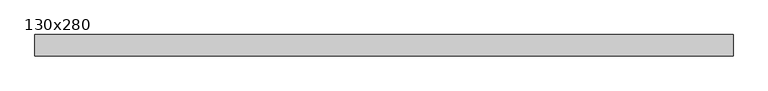
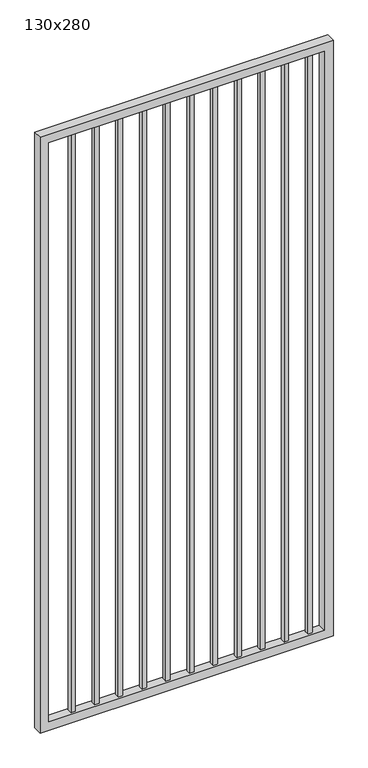
"""IFC4 building model written with IfcOpenShell, lengths in millimetres: proxy geometry, 130x280."""

from ifc_helpers import new_model, si_unit, frame, origin, place, context, project, spatial, polyline, outline, extrude, source, transform, mapped, element, save


def proxy_130x280_9e17eb8e(model_context):
    return source(origin(), model_context, "Body", "SweptSolid", [
        extrude(outline(polyline([(1203.325, 9.525), (1203.325, -9.525), (1184.275, -9.525), (1184.275, 9.525), (1203.325, 9.525)])), frame((0.0, 0.0, 139.7), z_axis=(0.0, 0.0, 1.0), x_axis=(1.0, 0.0, 0.0)), (0.0, 0.0, 1.0), 2630.0),
        extrude(outline(polyline([(1101.725, 9.525), (1101.725, -9.525), (1082.675, -9.525), (1082.675, 9.525), (1101.725, 9.525)])), frame((0.0, 0.0, 139.7), z_axis=(0.0, 0.0, 1.0), x_axis=(1.0, 0.0, 0.0)), (0.0, 0.0, 1.0), 2630.0),
        extrude(outline(polyline([(1000.125, 9.525), (1000.125, -9.525), (981.075, -9.525), (981.075, 9.525), (1000.125, 9.525)])), frame((0.0, 0.0, 139.7), z_axis=(0.0, 0.0, 1.0), x_axis=(1.0, 0.0, 0.0)), (0.0, 0.0, 1.0), 2630.0),
        extrude(outline(polyline([(898.525, 9.525), (898.525, -9.525), (879.475, -9.525), (879.475, 9.525), (898.525, 9.525)])), frame((0.0, 0.0, 139.7), z_axis=(0.0, 0.0, 1.0), x_axis=(1.0, 0.0, 0.0)), (0.0, 0.0, 1.0), 2630.0),
        extrude(outline(polyline([(796.925, 9.525), (796.925, -9.525), (777.875, -9.525), (777.875, 9.525), (796.925, 9.525)])), frame((0.0, 0.0, 139.7), z_axis=(0.0, 0.0, 1.0), x_axis=(1.0, 0.0, 0.0)), (0.0, 0.0, 1.0), 2630.0),
        extrude(outline(polyline([(695.325, 9.525), (695.325, -9.525), (676.275, -9.525), (676.275, 9.525), (695.325, 9.525)])), frame((0.0, 0.0, 139.7), z_axis=(0.0, 0.0, 1.0), x_axis=(1.0, 0.0, 0.0)), (0.0, 0.0, 1.0), 2630.0),
        extrude(outline(polyline([(593.725, 9.525), (593.725, -9.525), (574.675, -9.525), (574.675, 9.525), (593.725, 9.525)])), frame((0.0, 0.0, 139.7), z_axis=(0.0, 0.0, 1.0), x_axis=(1.0, 0.0, 0.0)), (0.0, 0.0, 1.0), 2630.0),
        extrude(outline(polyline([(492.125, 9.525), (492.125, -9.525), (473.075, -9.525), (473.075, 9.525), (492.125, 9.525)])), frame((0.0, 0.0, 139.7), z_axis=(0.0, 0.0, 1.0), x_axis=(1.0, 0.0, 0.0)), (0.0, 0.0, 1.0), 2630.0),
        extrude(outline(polyline([(390.525, 9.525), (390.525, -9.525), (371.475, -9.525), (371.475, 9.525), (390.525, 9.525)])), frame((0.0, 0.0, 139.7), z_axis=(0.0, 0.0, 1.0), x_axis=(1.0, 0.0, 0.0)), (0.0, 0.0, 1.0), 2630.0),
        extrude(outline(polyline([(288.925, 9.525), (288.925, -9.525), (269.875, -9.525), (269.875, 9.525), (288.925, 9.525)])), frame((0.0, 0.0, 139.7), z_axis=(0.0, 0.0, 1.0), x_axis=(1.0, 0.0, 0.0)), (0.0, 0.0, 1.0), 2630.0),
        extrude(outline(polyline([(187.325, 9.525), (187.325, -9.525), (168.275, -9.525), (168.275, 9.525), (187.325, 9.525)])), frame((0.0, 0.0, 139.7), z_axis=(0.0, 0.0, 1.0), x_axis=(1.0, 0.0, 0.0)), (0.0, 0.0, 1.0), 2630.0),
        extrude(outline(polyline([(101.6, 1287.3), (2800.0, 1287.3), (2800.0, 30.0), (101.6, 30.0), (101.6, 1287.3)]), holes=[polyline([(2761.9, 1249.2), (139.7, 1249.2), (139.7, 68.1), (2761.9, 68.1), (2761.9, 1249.2)])]), frame((0.0, -19.05, 0.0), z_axis=(0.0, 1.0, 0.0), x_axis=(0.0, 0.0, 1.0)), (0.0, 0.0, 1.0), 38.1),
    ])


if __name__ == "__main__":
    model = new_model("IFC4")
    model_context = context("Model", 3, world=origin())
    ifc_project = project(units=[si_unit("LENGTHUNIT", "METRE", prefix="MILLI")], contexts=[model_context])
    site = spatial("IfcSite", under=ifc_project)
    building = spatial("IfcBuilding", under=site)
    placement = place(None, origin())
    proxy_130x280_shape = proxy_130x280_9e17eb8e(model_context)
    element("IfcBuildingElementProxy", 1, Name="130x280", ObjectType="130x280", at=placement, inside=building, context=model_context, shape_type="MappedRepresentation", body=[
        mapped(proxy_130x280_shape, transform((0.0, 0.0, 0.0), x_axis=(1.0, 0.0, 0.0), y_axis=(0.0, 1.0, 0.0), z_axis=(0.0, 0.0, 1.0))),
    ])
    save(model, "model.ifc")
